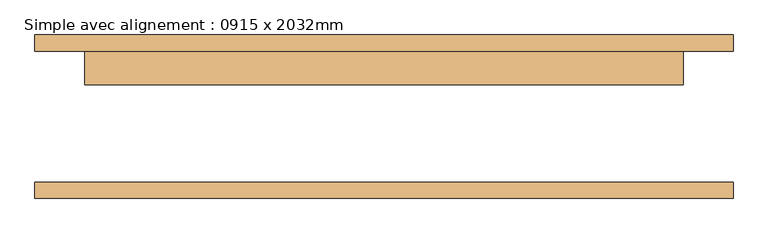
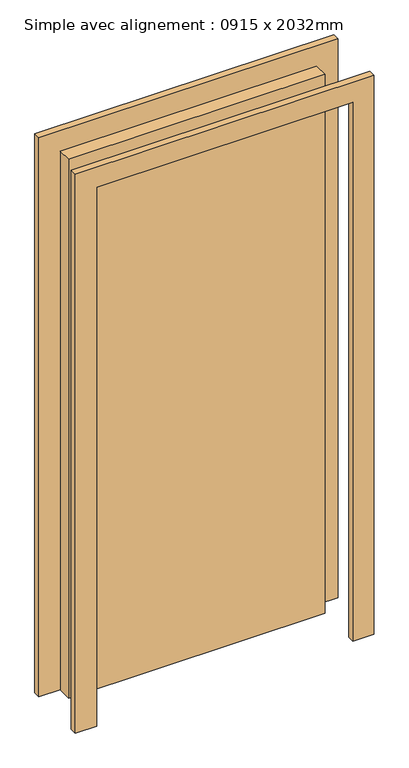
"""IFC4 building model written with IfcOpenShell, lengths in millimetres: door geometry, Simple avec alignement : 0915 x 2032mm."""

from ifc_helpers import new_model, si_unit, frame, origin, origin_with_axes, place, context, project, spatial, polyline, outline, extrude, source, transform, mapped, element, save


def simple_avec_alignement_0915_x_2032mm_7267827e(model_context):
    return source(origin(), model_context, "Body", "SweptSolid", [
        extrude(outline(polyline([(2108.0, -533.5), (0.0, -533.5), (0.0, -457.5), (2032.0, -457.5), (2032.0, 457.5), (0.0, 457.5), (0.0, 533.5), (2108.0, 533.5), (2108.0, -533.5)])), frame((0.0, 100.0, 0.0), z_axis=(0.0, 1.0, 0.0), x_axis=(0.0, 0.0, 1.0)), (0.0, 0.0, 1.0), 25.0),
        extrude(outline(polyline([(2108.0, 533.5), (2108.0, -533.5), (0.0, -533.5), (0.0, -457.5), (2032.0, -457.5), (2032.0, 457.5), (0.0, 457.5), (0.0, 533.5), (2108.0, 533.5)])), frame((0.0, -125.0, 0.0), z_axis=(0.0, 1.0, 0.0), x_axis=(0.0, 0.0, 1.0)), (0.0, 0.0, 1.0), 25.0),
        extrude(outline(polyline([(457.5, 49.0), (-457.5, 49.0), (-457.5, 100.0), (457.5, 100.0), (457.5, 49.0)])), origin_with_axes(), (0.0, 0.0, 1.0), 2032.0),
    ])


if __name__ == "__main__":
    model = new_model("IFC4")
    model_context = context("Model", 3, world=origin())
    ifc_project = project(units=[si_unit("LENGTHUNIT", "METRE", prefix="MILLI")], contexts=[model_context])
    site = spatial("IfcSite", under=ifc_project)
    building = spatial("IfcBuilding", under=site)
    placement = place(None, origin())
    simple_avec_alignement_0915_x_2032mm_shape = simple_avec_alignement_0915_x_2032mm_7267827e(model_context)
    element("IfcDoor", 1, ObjectType="Simple avec alignement : 0915 x 2032mm", at=placement, inside=building, context=model_context, shape_type="MappedRepresentation", body=[
        mapped(simple_avec_alignement_0915_x_2032mm_shape, transform((0.0, 0.0, 0.0), x_axis=(1.0, 0.0, 0.0), y_axis=(0.0, 1.0, 0.0), z_axis=(0.0, 0.0, 1.0))),
    ])
    save(model, "model.ifc")
